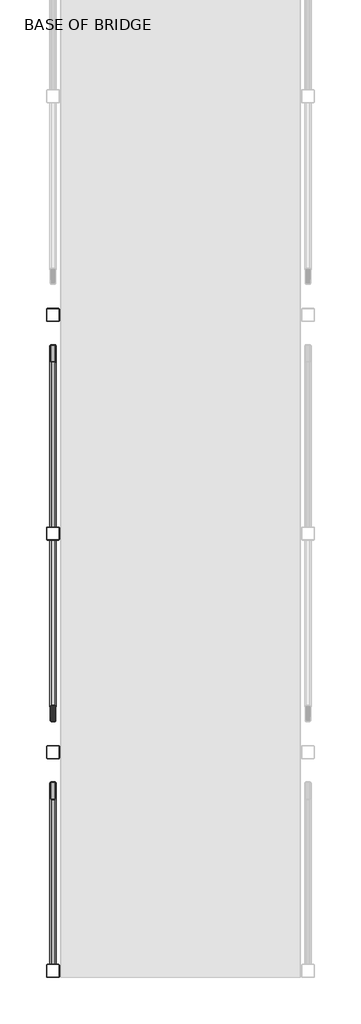
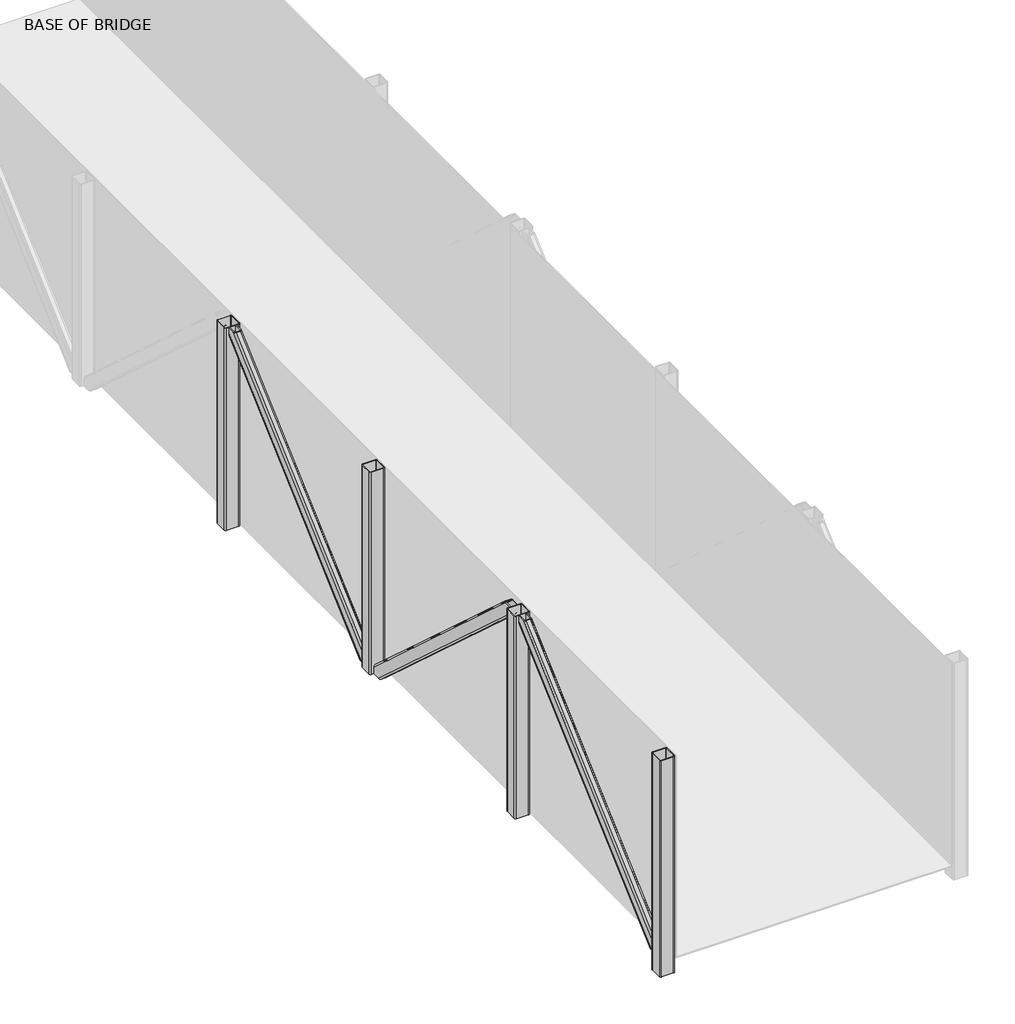
# One storey, part 1 of 8: 7 columns.
"""IFC4 building model written with IfcOpenShell, lengths in millimetres."""

import ifcopenshell
import ifcopenshell.guid

model = None  # the IFC model being written
_history = None  # IfcOwnerHistory: only IFC2X3 demands one
_inside = {}  # id of a spatial element -> (the spatial element, [elements in it])
_under = {}  # id of a project, library or spatial element -> (it, [spatial elements below it])
_declared = {}  # id of a project -> (the project, [libraries it declares])
_typed = {}  # id of a type object -> (the type object, [elements of that type])
_made_of = {}  # id of a material, layer set ... -> (it, [elements and type objects made of it])


def new_model(schema):
    """Start an empty IFC model of exactly this schema.

    Asked for "IFC4X3", IfcOpenShell would pick the latest addendum, in which some entities
    have other attributes; the version numbers below select the first issue.
    IFC2X3 requires an IfcOwnerHistory on every rooted entity: one is made here for all.
    """
    global model, _history
    if schema == "IFC4X3":
        model = ifcopenshell.file(schema_version=(4, 3, 0, 0))
    else:
        model = ifcopenshell.file(schema=schema)
    _inside.clear()
    _under.clear()
    _declared.clear()
    _typed.clear()
    _made_of.clear()
    _history = None
    if model.schema == "IFC2X3":
        org = make("IfcOrganization", Name="unknown")
        user = make(
            "IfcPersonAndOrganization",
            ThePerson=make("IfcPerson", FamilyName="unknown"),
            TheOrganization=org,
        )
        app = make(
            "IfcApplication",
            ApplicationDeveloper=org,
            Version="unknown",
            ApplicationFullName="unknown",
            ApplicationIdentifier="unknown",
        )
        _history = make(
            "IfcOwnerHistory",
            OwningUser=user,
            OwningApplication=app,
            ChangeAction="ADDED",
            CreationDate=0,
        )
    return model


def make(cls, **values):
    """One entity of the class cls with the attributes given. An attribute that is None is left unset."""
    return model.create_entity(
        cls, **{name: value for name, value in values.items() if value is not None}
    )


def rooted(cls, **values):
    """An entity with a GlobalId (a new one), such as an element, a storey or a relation."""
    return make(cls, GlobalId=ifcopenshell.guid.new(), OwnerHistory=_history, **values)


def si_unit(unit_type, name, prefix=None):
    """IfcSIUnit, for example si_unit("LENGTHUNIT", "METRE", prefix="MILLI")."""
    return make("IfcSIUnit", UnitType=unit_type, Prefix=prefix, Name=name)


def assignment(units):
    """IfcUnitAssignment: the units of a project."""
    return None if units is None else make("IfcUnitAssignment", Units=units)


def point(xyz):
    """IfcCartesianPoint."""
    return None if xyz is None else make("IfcCartesianPoint", Coordinates=xyz)


def direction(xyz):
    """IfcDirection."""
    return None if xyz is None else make("IfcDirection", DirectionRatios=xyz)


def frame(location, z_axis=None, x_axis=None):
    """IfcAxis2Placement3D, a coordinate frame: its origin and axes. An axis left out is left unset."""
    return make(
        "IfcAxis2Placement3D",
        Location=point(location),
        Axis=direction(z_axis),
        RefDirection=direction(x_axis),
    )


def frame_2d(location, x_axis=None):
    """IfcAxis2Placement2D, a coordinate frame in the plane: its origin and x axis."""
    return make(
        "IfcAxis2Placement2D", Location=point(location), RefDirection=direction(x_axis)
    )


def origin():
    """The frame at (0, 0, 0) with its axes left unset."""
    return frame((0.0, 0.0, 0.0))


def place(relative_to, where):
    """IfcLocalPlacement: puts the frame where relative to a parent placement (None: the world)."""
    return make(
        "IfcLocalPlacement", PlacementRelTo=relative_to, RelativePlacement=where
    )


def context(
    kind, dimensions, precision=None, world=None, true_north=None, identifier=None
):
    """IfcGeometricRepresentationContext, for example the 3D "Model" context."""
    return make(
        "IfcGeometricRepresentationContext",
        ContextIdentifier=identifier,
        ContextType=kind,
        CoordinateSpaceDimension=dimensions,
        Precision=precision,
        WorldCoordinateSystem=world,
        TrueNorth=true_north,
    )


def project(units=None, contexts=None):
    """IfcProject with its units and contexts."""
    return rooted(
        "IfcProject",
        Name="project",
        RepresentationContexts=contexts,
        UnitsInContext=assignment(units),
    )


def spatial(cls, under=None, at=None, **own):
    """A site, building, storey or space (cls), placed at a placement, below another one or the project."""
    s = rooted(cls, ObjectPlacement=at, **own)
    if under is not None:
        _under.setdefault(under.id(), (under, []))[1].append(s)
    return s


def polyline(points):
    """IfcPolyline through the points."""
    return make("IfcPolyline", Points=[point(p) for p in points])


def circle_curve(where, radius):
    """IfcCircle in the frame where."""
    return make("IfcCircle", Position=where, Radius=radius)


def ellipse_curve(where, semi_axis1, semi_axis2):
    """IfcEllipse in the frame where."""
    return make(
        "IfcEllipse", Position=where, SemiAxis1=semi_axis1, SemiAxis2=semi_axis2
    )


def trimmed(basis, trim1, trim2, sense, master):
    """IfcTrimmedCurve: the piece of a basis curve between two trims."""
    return make(
        "IfcTrimmedCurve",
        BasisCurve=basis,
        Trim1=trim1,
        Trim2=trim2,
        SenseAgreement=sense,
        MasterRepresentation=master,
    )


def segment(curve, same_sense, transition):
    """IfcCompositeCurveSegment."""
    return make(
        "IfcCompositeCurveSegment",
        Transition=transition,
        SameSense=same_sense,
        ParentCurve=curve,
    )


def composite_curve(segments, self_intersect=None):
    """IfcCompositeCurve: segments joined end to end."""
    return make("IfcCompositeCurve", Segments=segments, SelfIntersect=self_intersect)


def outline(outer, holes=None, kind="AREA"):
    """IfcArbitraryClosedProfileDef: a profile drawn as a closed curve; with holes, ...WithVoids."""
    if holes is None:
        return make("IfcArbitraryClosedProfileDef", ProfileType=kind, OuterCurve=outer)
    return make(
        "IfcArbitraryProfileDefWithVoids",
        ProfileType=kind,
        OuterCurve=outer,
        InnerCurves=holes,
    )


def extrude(swept, where, along, depth):
    """IfcExtrudedAreaSolid: the profile swept, set in the frame where, extruded along a direction by depth."""
    return make(
        "IfcExtrudedAreaSolid",
        SweptArea=swept,
        Position=where,
        ExtrudedDirection=direction(along),
        Depth=depth,
    )


def shape(context_of_items, identifier, shape_type, items):
    """IfcShapeRepresentation: the items that make up one representation, for example the "Body"."""
    return make(
        "IfcShapeRepresentation",
        ContextOfItems=context_of_items,
        RepresentationIdentifier=identifier,
        RepresentationType=shape_type,
        Items=items,
    )


def made_of(thing, what):
    """Note that an element or type object is made of a material, layer set ...; save() writes the relation."""
    if what is not None:
        _made_of.setdefault(what.id(), (what, []))[1].append(thing)
    return thing


def element(
    cls,
    number,
    at=None,
    inside=None,
    cuts=None,
    type_object=None,
    material=None,
    context=None,
    identifier="Body",
    shape_type=None,
    held_by="IfcProductDefinitionShape",
    body=None,
    shapes=None,
    **own,
):
    """One element of the class cls, such as IfcWall. Its Tag is "e" and its number.

    at: its placement. inside: the storey or other place that contains it. cuts: it is an
    opening in that element (IfcRelVoidsElement). A single representation is given by context,
    identifier, shape_type and body (its items); several are given by shapes. held_by: the class
    of the entity that holds the representations. save() writes the other relations.
    """
    e = rooted(cls, Tag="e%d" % number, ObjectPlacement=at, **own)
    if body is not None:
        shapes = [shape(context, identifier, shape_type, body)]
    if shapes is not None:
        e.Representation = make(held_by, Representations=shapes)
    if inside is not None:
        _inside.setdefault(inside.id(), (inside, []))[1].append(e)
    if cuts is not None:
        rooted(
            "IfcRelVoidsElement", RelatingBuildingElement=cuts, RelatedOpeningElement=e
        )
    if type_object is not None:
        _typed.setdefault(type_object.id(), (type_object, []))[1].append(e)
    return made_of(e, material)


def aggregate(whole, parts):
    """IfcRelAggregates: a whole, such as a stair, and the parts it consists of."""
    return rooted("IfcRelAggregates", RelatingObject=whole, RelatedObjects=parts)


def save(model, path):
    """Write the relations noted so far, then the file.

    IfcRelAggregates (storeys below a building ...), IfcRelContainedInSpatialStructure (elements
    in a storey), IfcRelDefinesByType, IfcRelAssociatesMaterial and IfcRelDeclares: one each for
    every whole, place, type object, material and project.
    """
    for whole, parts in _under.values():
        aggregate(whole, parts)
    for where, things in _inside.values():
        rooted(
            "IfcRelContainedInSpatialStructure",
            RelatedElements=things,
            RelatingStructure=where,
        )
    for kind, things in _typed.values():
        rooted("IfcRelDefinesByType", RelatedObjects=things, RelatingType=kind)
    for what, things in _made_of.values():
        rooted("IfcRelAssociatesMaterial", RelatedObjects=things, RelatingMaterial=what)
    for by, libraries in _declared.values():
        rooted("IfcRelDeclares", RelatingContext=by, RelatedDefinitions=libraries)
    model.write(path)


def plane_surface(at):
    """IfcPlane: the flat surface through the origin of the frame at, square to its z axis."""
    return make("IfcPlane", Position=at)


def cylinder_surface(at, radius):
    """IfcCylindricalSurface: all points at the distance radius from the z axis of the frame at."""
    return make("IfcCylindricalSurface", Position=at, Radius=radius)


def revolved_surface(curve, axis_point, axis_direction):
    """IfcSurfaceOfRevolution: the curve turned about the line through axis_point along axis_direction."""
    return make(
        "IfcSurfaceOfRevolution",
        SweptCurve=make("IfcArbitraryOpenProfileDef", ProfileType="CURVE", Curve=curve),
        AxisPosition=make("IfcAxis1Placement", Location=point(axis_point), Axis=direction(axis_direction)),
    )


def advanced_brep(points, edges, surfaces, faces):
    """IfcAdvancedBrep: a solid bounded by faces that lie on surfaces and meet in shared edges.

    An edge is (start, end): straight between two places in points (the first is 0);
    or (start, end, curve); or (start, end, curve, False) where it runs against its curve.
    A face is (place in surfaces, loops), or (place, loops, False) where it looks against
    its surface's normal. A loop lists edges by number (the first is 1), with a minus sign
    where the edge is run from its end to its start. The first loop is the outer one.
    """
    corners = [point(p) for p in points]
    vertices = [make("IfcVertexPoint", VertexGeometry=c) for c in corners]
    made = []
    for start, end, *more in edges:
        made.append(
            make(
                "IfcEdgeCurve",
                EdgeStart=vertices[start],
                EdgeEnd=vertices[end],
                EdgeGeometry=more[0] if more else make("IfcPolyline", Points=[corners[start], corners[end]]),
                SameSense=more[1] if len(more) > 1 else True,
            )
        )
    hull = []
    for where, loops, *sense in faces:
        bounds = []
        for j, loop in enumerate(loops):
            ring = [make("IfcOrientedEdge", EdgeElement=made[abs(k) - 1], Orientation=k > 0) for k in loop]
            bounds.append(
                make(
                    "IfcFaceOuterBound" if j == 0 else "IfcFaceBound",
                    Bound=make("IfcEdgeLoop", EdgeList=ring),
                    Orientation=True,
                )
            )
        hull.append(make("IfcAdvancedFace", Bounds=bounds, FaceSurface=surfaces[where], SameSense=sense[0] if sense else True))
    return make("IfcAdvancedBrep", Outer=make("IfcClosedShell", CfsFaces=hull))


model = new_model("IFC4")

# Units and contexts
model_context = context("Model", 3, world=origin())
ifc_project = project(units=[si_unit("LENGTHUNIT", "METRE", prefix="MILLI")], contexts=[model_context])

# Site, building, storey
site = spatial("IfcSite", under=ifc_project)
building = spatial("IfcBuilding", under=site)
storey = spatial("IfcBuildingStorey", under=building, Name="BASE OF BRIDGE", Elevation=15383.0)

# Columns
placement = place(None, origin())
element("IfcColumn", 1, ObjectType="Rectangular Hollow Sections-Column : RHS100x100x5.0", at=placement, inside=storey, context=model_context, shape_type="SweptSolid", body=[
    extrude(outline(composite_curve([segment(trimmed(circle_curve(frame_2d((-935.0, 712.4479556)), 10.0), [point((-935.0, 722.4479556))], [point((-925.0, 712.4479556))], False, "CARTESIAN"), True, "CONTINUOUS"), segment(polyline([(-925.0, 712.4479556), (-925.0, 632.4479556)]), True, "CONTINUOUS"), segment(trimmed(circle_curve(frame_2d((-935.0, 632.4479556)), 10.0), [point((-925.0, 632.4479556))], [point((-935.0, 622.4479556))], False, "CARTESIAN"), True, "CONTINUOUS"), segment(polyline([(-935.0, 622.4479556), (-1015.0, 622.4479556)]), True, "CONTINUOUS"), segment(trimmed(circle_curve(frame_2d((-1015.0, 632.4479556)), 10.0), [point((-1015.0, 622.4479556))], [point((-1025.0, 632.4479556))], False, "CARTESIAN"), True, "CONTINUOUS"), segment(polyline([(-1025.0, 632.4479556), (-1025.0, 712.4479556)]), True, "CONTINUOUS"), segment(trimmed(circle_curve(frame_2d((-1015.0, 712.4479556)), 10.0), [point((-1025.0, 712.4479556))], [point((-1015.0, 722.4479556))], False, "CARTESIAN"), True, "CONTINUOUS"), segment(polyline([(-1015.0, 722.4479556), (-935.0, 722.4479556)]), True, "CONTINUOUS")], self_intersect=False), holes=[composite_curve([segment(polyline([(-935.0, 717.4479556), (-1015.0, 717.4479556)]), True, "CONTINUOUS"), segment(trimmed(circle_curve(frame_2d((-1015.0, 712.4479556)), 5.0), [point((-1015.0, 717.4479556))], [point((-1020.0, 712.4479556))], True, "CARTESIAN"), True, "CONTINUOUS"), segment(polyline([(-1020.0, 712.4479556), (-1020.0, 632.4479556)]), True, "CONTINUOUS"), segment(trimmed(circle_curve(frame_2d((-1015.0, 632.4479556)), 5.0), [point((-1020.0, 632.4479556))], [point((-1015.0, 627.4479556))], True, "CARTESIAN"), True, "CONTINUOUS"), segment(polyline([(-1015.0, 627.4479556), (-935.0, 627.4479556)]), True, "CONTINUOUS"), segment(trimmed(circle_curve(frame_2d((-935.0, 632.4479556)), 5.0), [point((-935.0, 627.4479556))], [point((-930.0, 632.4479556))], True, "CARTESIAN"), True, "CONTINUOUS"), segment(polyline([(-930.0, 632.4479556), (-930.0, 712.4479556)]), True, "CONTINUOUS"), segment(trimmed(circle_curve(frame_2d((-935.0, 712.4479556)), 5.0), [point((-930.0, 712.4479556))], [point((-935.0, 717.4479556))], True, "CARTESIAN"), True, "CONTINUOUS")], self_intersect=False)]), frame((0.0, 0.0, 15283.0), z_axis=(0.0, 0.0, 1.0), x_axis=(1.0, 0.0, 0.0)), (0.0, 0.0, 1.0), 1521.0),
])
element("IfcColumn", 2, ObjectType="Rectangular Hollow Sections-Column : RHS100x100x5.0", at=placement, inside=storey, context=model_context, shape_type="SweptSolid", body=[
    extrude(outline(composite_curve([segment(trimmed(circle_curve(frame_2d((-935.0, 2382.4479556)), 10.0), [point((-935.0, 2392.4479556))], [point((-925.0, 2382.4479556))], False, "CARTESIAN"), True, "CONTINUOUS"), segment(polyline([(-925.0, 2382.4479556), (-925.0, 2302.4479556)]), True, "CONTINUOUS"), segment(trimmed(circle_curve(frame_2d((-935.0, 2302.4479556)), 10.0), [point((-925.0, 2302.4479556))], [point((-935.0, 2292.4479556))], False, "CARTESIAN"), True, "CONTINUOUS"), segment(polyline([(-935.0, 2292.4479556), (-1015.0, 2292.4479556)]), True, "CONTINUOUS"), segment(trimmed(circle_curve(frame_2d((-1015.0, 2302.4479556)), 10.0), [point((-1015.0, 2292.4479556))], [point((-1025.0, 2302.4479556))], False, "CARTESIAN"), True, "CONTINUOUS"), segment(polyline([(-1025.0, 2302.4479556), (-1025.0, 2382.4479556)]), True, "CONTINUOUS"), segment(trimmed(circle_curve(frame_2d((-1015.0, 2382.4479556)), 10.0), [point((-1025.0, 2382.4479556))], [point((-1015.0, 2392.4479556))], False, "CARTESIAN"), True, "CONTINUOUS"), segment(polyline([(-1015.0, 2392.4479556), (-935.0, 2392.4479556)]), True, "CONTINUOUS")], self_intersect=False), holes=[composite_curve([segment(polyline([(-935.0, 2387.4479556), (-1015.0, 2387.4479556)]), True, "CONTINUOUS"), segment(trimmed(circle_curve(frame_2d((-1015.0, 2382.4479556)), 5.0), [point((-1015.0, 2387.4479556))], [point((-1020.0, 2382.4479556))], True, "CARTESIAN"), True, "CONTINUOUS"), segment(polyline([(-1020.0, 2382.4479556), (-1020.0, 2302.4479556)]), True, "CONTINUOUS"), segment(trimmed(circle_curve(frame_2d((-1015.0, 2302.4479556)), 5.0), [point((-1020.0, 2302.4479556))], [point((-1015.0, 2297.4479556))], True, "CARTESIAN"), True, "CONTINUOUS"), segment(polyline([(-1015.0, 2297.4479556), (-935.0, 2297.4479556)]), True, "CONTINUOUS"), segment(trimmed(circle_curve(frame_2d((-935.0, 2302.4479556)), 5.0), [point((-935.0, 2297.4479556))], [point((-930.0, 2302.4479556))], True, "CARTESIAN"), True, "CONTINUOUS"), segment(polyline([(-930.0, 2302.4479556), (-930.0, 2382.4479556)]), True, "CONTINUOUS"), segment(trimmed(circle_curve(frame_2d((-935.0, 2382.4479556)), 5.0), [point((-930.0, 2382.4479556))], [point((-935.0, 2387.4479556))], True, "CARTESIAN"), True, "CONTINUOUS")], self_intersect=False)]), frame((0.0, 0.0, 15383.0), z_axis=(0.0, 0.0, 1.0), x_axis=(1.0, 0.0, 0.0)), (0.0, 0.0, 1.0), 1421.0),
])
element("IfcColumn", 3, ObjectType="Rectangular Hollow Sections-Column : RHS100x100x5.0", at=placement, inside=storey, context=model_context, shape_type="SweptSolid", body=[
    extrude(outline(composite_curve([segment(trimmed(circle_curve(frame_2d((-935.0, 4052.4479556)), 10.0), [point((-935.0, 4062.4479556))], [point((-925.0, 4052.4479556))], False, "CARTESIAN"), True, "CONTINUOUS"), segment(polyline([(-925.0, 4052.4479556), (-925.0, 3972.4479556)]), True, "CONTINUOUS"), segment(trimmed(circle_curve(frame_2d((-935.0, 3972.4479556)), 10.0), [point((-925.0, 3972.4479556))], [point((-935.0, 3962.4479556))], False, "CARTESIAN"), True, "CONTINUOUS"), segment(polyline([(-935.0, 3962.4479556), (-1015.0, 3962.4479556)]), True, "CONTINUOUS"), segment(trimmed(circle_curve(frame_2d((-1015.0, 3972.4479556)), 10.0), [point((-1015.0, 3962.4479556))], [point((-1025.0, 3972.4479556))], False, "CARTESIAN"), True, "CONTINUOUS"), segment(polyline([(-1025.0, 3972.4479556), (-1025.0, 4052.4479556)]), True, "CONTINUOUS"), segment(trimmed(circle_curve(frame_2d((-1015.0, 4052.4479556)), 10.0), [point((-1025.0, 4052.4479556))], [point((-1015.0, 4062.4479556))], False, "CARTESIAN"), True, "CONTINUOUS"), segment(polyline([(-1015.0, 4062.4479556), (-935.0, 4062.4479556)]), True, "CONTINUOUS")], self_intersect=False), holes=[composite_curve([segment(polyline([(-935.0, 4057.4479556), (-1015.0, 4057.4479556)]), True, "CONTINUOUS"), segment(trimmed(circle_curve(frame_2d((-1015.0, 4052.4479556)), 5.0), [point((-1015.0, 4057.4479556))], [point((-1020.0, 4052.4479556))], True, "CARTESIAN"), True, "CONTINUOUS"), segment(polyline([(-1020.0, 4052.4479556), (-1020.0, 3972.4479556)]), True, "CONTINUOUS"), segment(trimmed(circle_curve(frame_2d((-1015.0, 3972.4479556)), 5.0), [point((-1020.0, 3972.4479556))], [point((-1015.0, 3967.4479556))], True, "CARTESIAN"), True, "CONTINUOUS"), segment(polyline([(-1015.0, 3967.4479556), (-935.0, 3967.4479556)]), True, "CONTINUOUS"), segment(trimmed(circle_curve(frame_2d((-935.0, 3972.4479556)), 5.0), [point((-935.0, 3967.4479556))], [point((-930.0, 3972.4479556))], True, "CARTESIAN"), True, "CONTINUOUS"), segment(polyline([(-930.0, 3972.4479556), (-930.0, 4052.4479556)]), True, "CONTINUOUS"), segment(trimmed(circle_curve(frame_2d((-935.0, 4052.4479556)), 5.0), [point((-930.0, 4052.4479556))], [point((-935.0, 4057.4479556))], True, "CARTESIAN"), True, "CONTINUOUS")], self_intersect=False)]), frame((0.0, 0.0, 15383.0), z_axis=(0.0, 0.0, 1.0), x_axis=(1.0, 0.0, 0.0)), (0.0, 0.0, 1.0), 1421.0),
])
element("IfcColumn", 4, ObjectType="Rectangular Hollow Sections-Column : RHS100x100x5.0", at=placement, inside=storey, context=model_context, shape_type="SweptSolid", body=[
    extrude(outline(composite_curve([segment(trimmed(circle_curve(frame_2d((-935.0, 5722.4479556)), 10.0), [point((-935.0, 5732.4479556))], [point((-925.0, 5722.4479556))], False, "CARTESIAN"), True, "CONTINUOUS"), segment(polyline([(-925.0, 5722.4479556), (-925.0, 5642.4479556)]), True, "CONTINUOUS"), segment(trimmed(circle_curve(frame_2d((-935.0, 5642.4479556)), 10.0), [point((-925.0, 5642.4479556))], [point((-935.0, 5632.4479556))], False, "CARTESIAN"), True, "CONTINUOUS"), segment(polyline([(-935.0, 5632.4479556), (-1015.0, 5632.4479556)]), True, "CONTINUOUS"), segment(trimmed(circle_curve(frame_2d((-1015.0, 5642.4479556)), 10.0), [point((-1015.0, 5632.4479556))], [point((-1025.0, 5642.4479556))], False, "CARTESIAN"), True, "CONTINUOUS"), segment(polyline([(-1025.0, 5642.4479556), (-1025.0, 5722.4479556)]), True, "CONTINUOUS"), segment(trimmed(circle_curve(frame_2d((-1015.0, 5722.4479556)), 10.0), [point((-1025.0, 5722.4479556))], [point((-1015.0, 5732.4479556))], False, "CARTESIAN"), True, "CONTINUOUS"), segment(polyline([(-1015.0, 5732.4479556), (-935.0, 5732.4479556)]), True, "CONTINUOUS")], self_intersect=False), holes=[composite_curve([segment(polyline([(-935.0, 5727.4479556), (-1015.0, 5727.4479556)]), True, "CONTINUOUS"), segment(trimmed(circle_curve(frame_2d((-1015.0, 5722.4479556)), 5.0), [point((-1015.0, 5727.4479556))], [point((-1020.0, 5722.4479556))], True, "CARTESIAN"), True, "CONTINUOUS"), segment(polyline([(-1020.0, 5722.4479556), (-1020.0, 5642.4479556)]), True, "CONTINUOUS"), segment(trimmed(circle_curve(frame_2d((-1015.0, 5642.4479556)), 5.0), [point((-1020.0, 5642.4479556))], [point((-1015.0, 5637.4479556))], True, "CARTESIAN"), True, "CONTINUOUS"), segment(polyline([(-1015.0, 5637.4479556), (-935.0, 5637.4479556)]), True, "CONTINUOUS"), segment(trimmed(circle_curve(frame_2d((-935.0, 5642.4479556)), 5.0), [point((-935.0, 5637.4479556))], [point((-930.0, 5642.4479556))], True, "CARTESIAN"), True, "CONTINUOUS"), segment(polyline([(-930.0, 5642.4479556), (-930.0, 5722.4479556)]), True, "CONTINUOUS"), segment(trimmed(circle_curve(frame_2d((-935.0, 5722.4479556)), 5.0), [point((-930.0, 5722.4479556))], [point((-935.0, 5727.4479556))], True, "CARTESIAN"), True, "CONTINUOUS")], self_intersect=False)]), frame((0.0, 0.0, 15383.0), z_axis=(0.0, 0.0, 1.0), x_axis=(1.0, 0.0, 0.0)), (0.0, 0.0, 1.0), 1421.0),
])
element("IfcColumn", 5, ObjectType="Rectangular Hollow Sections-Column : RHS90x50x5.0", at=placement, inside=storey, context=model_context, shape_type="AdvancedBrep", body=[
    advanced_brep(
    [(-950.0, 3910.2908364, 15383.0), (-960.0, 3895.3888023, 15383.0), (-990.0, 3895.3888023, 15383.0), (-1000.0, 3910.2908364, 15383.0), (-1000.0, 3962.4479556, 15383.0), (-995.0, 3962.4479556, 15383.0), (-995.0, 3910.2908364, 15383.0), (-990.0, 3902.8398193, 15383.0), (-960.0, 3902.8398193, 15383.0), (-955.0, 3910.2908364, 15383.0), (-955.0, 3962.4479556, 15383.0), (-950.0, 3962.4479556, 15383.0), (-950.0, 2444.6050749, 16804.0), (-960.0, 2459.507109, 16804.0), (-990.0, 2459.507109, 16804.0), (-1000.0, 2444.6050749, 16804.0), (-1000.0, 2392.4479556, 16804.0), (-995.0, 2392.4479556, 16804.0), (-995.0, 2444.6050749, 16804.0), (-990.0, 2452.0560919, 16804.0), (-960.0, 2452.0560919, 16804.0), (-955.0, 2444.6050749, 16804.0), (-955.0, 2392.4479556, 16804.0), (-950.0, 2392.4479556, 16804.0), (-950.0, 3962.4479556, 15430.2071761), (-960.0, 3962.4479556, 15443.6949407), (-950.0, 2392.4479556, 16756.7928239), (-960.0, 2392.4479556, 16743.3050593), (-990.0, 2392.4479556, 16743.3050593), (-1000.0, 2392.4479556, 16756.7928239), (-1000.0, 3962.4479556, 15430.2071761), (-990.0, 3962.4479556, 15443.6949407), (-990.0, 3962.4479556, 15436.9510584), (-960.0, 3962.4479556, 15436.9510584), (-995.0, 3962.4479556, 15430.2071761), (-995.0, 2392.4479556, 16756.7928239), (-990.0, 2392.4479556, 16750.0489416), (-960.0, 2392.4479556, 16750.0489416), (-955.0, 2392.4479556, 16756.7928239), (-955.0, 3962.4479556, 15430.2071761)],
    [
        (0, 1, ellipse_curve(frame((-960.0, 3910.2908364, 15383.0), z_axis=(0.0, 0.0, -1.0), x_axis=(-3.770205379316552e-12, -1.0, 0.0)), 14.9020341, 10.0)),
        (1, 2),
        (2, 3, ellipse_curve(frame((-990.0, 3910.2908364, 15383.0), z_axis=(0.0, 0.0, -1.0), x_axis=(-3.770205379316552e-12, -1.0, 0.0)), 14.9020341, 10.0)),
        (3, 4),
        (4, 5),
        (5, 6),
        (6, 7, ellipse_curve(frame((-990.0, 3910.2908364, 15383.0), z_axis=(0.0, 0.0, 1.0), x_axis=(3.770205379316552e-12, 1.0, 0.0)), 7.451017, 5.0)),
        (7, 8),
        (8, 9, ellipse_curve(frame((-960.0, 3910.2908364, 15383.0), z_axis=(0.0, 0.0, 1.0), x_axis=(3.770205379316552e-12, 1.0, 0.0)), 7.451017, 5.0)),
        (9, 10),
        (10, 11),
        (11, 0),
        (12, 13, ellipse_curve(frame((-960.0, 2444.6050749, 16804.0), z_axis=(0.0, 0.0, 1.0), x_axis=(-3.770205379316552e-12, -1.0, 0.0)), 14.9020341, 10.0)),
        (13, 14),
        (14, 15, ellipse_curve(frame((-990.0, 2444.6050749, 16804.0), z_axis=(0.0, 0.0, 1.0), x_axis=(-3.770205379316552e-12, -1.0, 0.0)), 14.9020341, 10.0)),
        (15, 16),
        (16, 17),
        (17, 18),
        (18, 19, ellipse_curve(frame((-990.0, 2444.6050749, 16804.0), z_axis=(0.0, 0.0, -1.0), x_axis=(3.770205379316552e-12, 1.0, 0.0)), 7.451017, 5.0)),
        (19, 20),
        (20, 21, ellipse_curve(frame((-960.0, 2444.6050749, 16804.0), z_axis=(0.0, 0.0, -1.0), x_axis=(3.770205379316552e-12, 1.0, 0.0)), 7.451017, 5.0)),
        (21, 22),
        (22, 23),
        (23, 12),
        (12, 24),
        (24, 25, ellipse_curve(frame((-960.0, 3962.4479556, 15430.2071761), z_axis=(0.0, -1.0, 0.0), x_axis=(-4.165533036964825e-12, 0.0, 1.0)), 13.4877646, 10.0)),
        (25, 13),
        (11, 24),
        (23, 26),
        (26, 0),
        (26, 27, ellipse_curve(frame((-960.0, 2392.4479556, 16756.7928239), z_axis=(0.0, 1.0, 0.0), x_axis=(-4.161794249594578e-12, 0.0, 1.0)), 13.4877646, 10.0)),
        (27, 1),
        (27, 28),
        (28, 2),
        (28, 29, ellipse_curve(frame((-990.0, 2392.4479556, 16756.7928239), z_axis=(0.0, 1.0, 0.0), x_axis=(-4.161794249594578e-12, 0.0, 1.0)), 13.4877646, 10.0)),
        (29, 3),
        (29, 16),
        (15, 30),
        (30, 4),
        (14, 31),
        (31, 30, ellipse_curve(frame((-990.0, 3962.4479556, 15430.2071761), z_axis=(0.0, -1.0, 0.0), x_axis=(-4.165533036964825e-12, 0.0, 1.0)), 13.4877646, 10.0)),
        (25, 31),
        (19, 32),
        (32, 33),
        (33, 20),
        (18, 34),
        (34, 32, ellipse_curve(frame((-990.0, 3962.4479556, 15430.2071761), z_axis=(0.0, 1.0, 0.0), x_axis=(4.165533036964825e-12, 0.0, -1.0)), 6.7438823, 5.0)),
        (5, 34),
        (17, 35),
        (35, 6),
        (35, 36, ellipse_curve(frame((-990.0, 2392.4479556, 16756.7928239), z_axis=(0.0, -1.0, 0.0), x_axis=(4.161794249594578e-12, 0.0, -1.0)), 6.7438823, 5.0)),
        (36, 7),
        (36, 37),
        (37, 8),
        (37, 38, ellipse_curve(frame((-960.0, 2392.4479556, 16756.7928239), z_axis=(0.0, -1.0, 0.0), x_axis=(4.161794249594578e-12, 0.0, -1.0)), 6.7438823, 5.0)),
        (38, 9),
        (38, 22),
        (21, 39),
        (39, 10),
        (33, 39, ellipse_curve(frame((-960.0, 3962.4479556, 15430.2071761), z_axis=(0.0, 1.0, 0.0), x_axis=(4.165533036964825e-12, 0.0, -1.0)), 6.7438823, 5.0)),
    ],
    [
        plane_surface(frame((-975.0, 3962.4479556, 15383.0), z_axis=(0.0, 0.0, -1.0), x_axis=(1.0, 0.0, 0.0))),
        plane_surface(frame((-975.0, 2392.4479556, 16804.0), z_axis=(0.0, 0.0, 1.0), x_axis=(-1.0, 0.0, 0.0))),
        cylinder_surface(frame((-960.0, 4099.6865423, 15305.9931432), z_axis=(-2.7952781584738716e-12, -0.7414127022917221, 0.6710493311825043), x_axis=(1.0, -3.770324502598519e-12, 0.0)), 10.0),
        plane_surface(frame((-950.0, 2255.2093689, 16881.0068568), z_axis=(1.0000000000000002, -3.7703245025985194e-12, 0.0), x_axis=(2.7952781584738716e-12, 0.7414127022917221, -0.6710493311825043))),
        cylinder_surface(frame((-960.0, 4052.7130892, 15254.094254), z_axis=(-2.7952781584738716e-12, -0.7414127022917221, 0.6710493311825043), x_axis=(1.0, -3.770324502598519e-12, 0.0)), 10.0),
        plane_surface(frame((-990.0, 2248.4988756, 16873.5927298), z_axis=(-2.5301713161317646e-12, -0.6710493311825043, -0.7414127022917221), x_axis=(2.7952781584738716e-12, 0.7414127022917221, -0.6710493311825043))),
        cylinder_surface(frame((-990.0, 4052.7130892, 15254.094254), z_axis=(-2.7952781584738716e-12, -0.7414127022917221, 0.6710493311825043), x_axis=(1.0, -3.770324502598519e-12, 0.0)), 10.0),
        plane_surface(frame((-1000.0, 2302.1828221, 16932.905746), z_axis=(-1.0000000000000002, 3.7703245025985194e-12, 0.0), x_axis=(2.7952781584738716e-12, 0.7414127022917221, -0.6710493311825043))),
        cylinder_surface(frame((-990.0, 4099.6865423, 15305.9931432), z_axis=(-2.7952781584738716e-12, -0.7414127022917221, 0.6710493311825043), x_axis=(1.0, -3.770324502598519e-12, 0.0)), 10.0),
        plane_surface(frame((-960.0, 2308.8933154, 16940.319873), z_axis=(2.5301713161317646e-12, 0.6710493311825043, 0.7414127022917221), x_axis=(2.7952781584738716e-12, 0.7414127022917221, -0.6710493311825043))),
        plane_surface(frame((-990.0, 2305.5380688, 16936.6128095), z_axis=(-2.5301713161317646e-12, -0.6710493311825043, -0.7414127022917221), x_axis=(2.7952781584738716e-12, 0.7414127022917221, -0.6710493311825043))),
        revolved_surface(polyline([(-985.0000000005048, 3965.8032022709954, 15427.170357328145), (-985.0000000062554, 2440.509304538574, 16807.707063492322)]), (-990.0, 4099.6865423, 15305.9931432), (2.7952781584738716e-12, 0.7414127022917221, -0.6710493311825043)),
        plane_surface(frame((-995.0, 2255.2093689, 16881.0068568), z_axis=(1.0000000000000002, -3.7703245025985194e-12, 0.0), x_axis=(2.7952781584738716e-12, 0.7414127022917221, -0.6710493311825043))),
        revolved_surface(polyline([(-985.0000000005215, 3914.3866067639824, 15379.292936510543), (-985.0000000062722, 2389.092708976592, 16759.829642724475)]), (-990.0, 4052.7130892, 15254.094254), (2.7952781584738716e-12, 0.7414127022917221, -0.6710493311825043)),
        plane_surface(frame((-960.0, 2251.8541223, 16877.2997933), z_axis=(2.5301713161317646e-12, 0.6710493311825043, 0.7414127022917221), x_axis=(2.7952781584738716e-12, 0.7414127022917221, -0.6710493311825043))),
        revolved_surface(polyline([(-955.0000000005215, 3914.3866067639824, 15379.292936510543), (-955.0000000062722, 2389.092708976592, 16759.829642724475)]), (-960.0, 4052.7130892, 15254.094254), (2.7952781584738716e-12, 0.7414127022917221, -0.6710493311825043)),
        plane_surface(frame((-955.0, 2302.1828221, 16932.905746), z_axis=(-1.0000000000000002, 3.7703245025985194e-12, 0.0), x_axis=(2.7952781584738716e-12, 0.7414127022917221, -0.6710493311825043))),
        revolved_surface(polyline([(-955.0000000005048, 3965.8032022709954, 15427.170357328145), (-955.0000000062554, 2440.509304538574, 16807.707063492322)]), (-960.0, 4099.6865423, 15305.9931432), (2.7952781584738716e-12, 0.7414127022917221, -0.6710493311825043)),
        plane_surface(frame((-935.0, 3962.4479556, 15383.0), z_axis=(0.0, 1.0, 0.0), x_axis=(0.0, 0.0, 1.0))),
        plane_surface(frame((-1015.0, 2392.4479556, 15383.0), z_axis=(0.0, -1.0, 0.0), x_axis=(0.0, 0.0, 1.0))),
    ],
    [
        (0, [[1, 2, 3, 4, 5, 6, 7, 8, 9, 10, 11, 12]]),
        (1, [[13, 14, 15, 16, 17, 18, 19, 20, 21, 22, 23, 24]]),
        (2, [[-13, 25, 26, 27]]),
        (3, [[-12, 28, -25, -24, 29, 30]]),
        (4, [[-1, -30, 31, 32]]),
        (5, [[-2, -32, 33, 34]]),
        (6, [[-3, -34, 35, 36]]),
        (7, [[-4, -36, 37, -16, 38, 39]]),
        (8, [[-15, 40, 41, -38]]),
        (9, [[-14, -27, 42, -40]]),
        (10, [[-20, 43, 44, 45]]),
        (11, [[-19, 46, 47, -43]]),
        (12, [[-6, 48, -46, -18, 49, 50]]),
        (13, [[-7, -50, 51, 52]]),
        (14, [[-8, -52, 53, 54]]),
        (15, [[-9, -54, 55, 56]]),
        (16, [[-10, -56, 57, -22, 58, 59]]),
        (17, [[-21, -45, 60, -58]]),
        (18, [[-11, -59, -60, -44, -47, -48, -5, -39, -41, -42, -26, -28]]),
        (19, [[-17, -37, -35, -33, -31, -29, -23, -57, -55, -53, -51, -49]]),
    ],
),
])
element("IfcColumn", 6, ObjectType="Rectangular Hollow Sections-Column : RHS90x50x5.0", at=placement, inside=storey, context=model_context, shape_type="AdvancedBrep", body=[
    advanced_brep(
    [(-1000.0, 4114.6050749, 15383.0), (-990.0, 4129.507109, 15383.0), (-960.0, 4129.507109, 15383.0), (-950.0, 4114.6050749, 15383.0), (-950.0, 4062.4479556, 15383.0), (-955.0, 4062.4479556, 15383.0), (-955.0, 4114.6050749, 15383.0), (-960.0, 4122.0560919, 15383.0), (-990.0, 4122.0560919, 15383.0), (-995.0, 4114.6050749, 15383.0), (-995.0, 4062.4479556, 15383.0), (-1000.0, 4062.4479556, 15383.0), (-1000.0, 5580.2908364, 16804.0), (-990.0, 5565.3888023, 16804.0), (-960.0, 5565.3888023, 16804.0), (-950.0, 5580.2908364, 16804.0), (-950.0, 5632.4479556, 16804.0), (-955.0, 5632.4479556, 16804.0), (-955.0, 5580.2908364, 16804.0), (-960.0, 5572.8398193, 16804.0), (-990.0, 5572.8398193, 16804.0), (-995.0, 5580.2908364, 16804.0), (-995.0, 5632.4479556, 16804.0), (-1000.0, 5632.4479556, 16804.0), (-1000.0, 4062.4479556, 15430.2071761), (-990.0, 4062.4479556, 15443.6949407), (-1000.0, 5632.4479556, 16756.7928239), (-990.0, 5632.4479556, 16743.3050593), (-960.0, 5632.4479556, 16743.3050593), (-950.0, 5632.4479556, 16756.7928239), (-950.0, 4062.4479556, 15430.2071761), (-960.0, 4062.4479556, 15443.6949407), (-960.0, 4062.4479556, 15436.9510584), (-990.0, 4062.4479556, 15436.9510584), (-955.0, 4062.4479556, 15430.2071761), (-955.0, 5632.4479556, 16756.7928239), (-960.0, 5632.4479556, 16750.0489416), (-990.0, 5632.4479556, 16750.0489416), (-995.0, 5632.4479556, 16756.7928239), (-995.0, 4062.4479556, 15430.2071761)],
    [
        (0, 1, ellipse_curve(frame((-990.0, 4114.6050749, 15383.0), z_axis=(0.0, 0.0, -1.0), x_axis=(-3.767015404492982e-12, 1.0, 0.0)), 14.9020341, 10.0)),
        (1, 2),
        (2, 3, ellipse_curve(frame((-960.0, 4114.6050749, 15383.0), z_axis=(0.0, 0.0, -1.0), x_axis=(-3.767015404492982e-12, 1.0, 0.0)), 14.9020341, 10.0)),
        (3, 4),
        (4, 5),
        (5, 6),
        (6, 7, ellipse_curve(frame((-960.0, 4114.6050749, 15383.0), z_axis=(0.0, 0.0, 1.0), x_axis=(3.767015404492982e-12, -1.0, 0.0)), 7.451017, 5.0)),
        (7, 8),
        (8, 9, ellipse_curve(frame((-990.0, 4114.6050749, 15383.0), z_axis=(0.0, 0.0, 1.0), x_axis=(3.767015404492982e-12, -1.0, 0.0)), 7.451017, 5.0)),
        (9, 10),
        (10, 11),
        (11, 0),
        (12, 13, ellipse_curve(frame((-990.0, 5580.2908364, 16804.0), z_axis=(0.0, 0.0, 1.0), x_axis=(-3.767015404492982e-12, 1.0, 0.0)), 14.9020341, 10.0)),
        (13, 14),
        (14, 15, ellipse_curve(frame((-960.0, 5580.2908364, 16804.0), z_axis=(0.0, 0.0, 1.0), x_axis=(-3.767015404492982e-12, 1.0, 0.0)), 14.9020341, 10.0)),
        (15, 16),
        (16, 17),
        (17, 18),
        (18, 19, ellipse_curve(frame((-960.0, 5580.2908364, 16804.0), z_axis=(0.0, 0.0, -1.0), x_axis=(3.767015404492982e-12, -1.0, 0.0)), 7.451017, 5.0)),
        (19, 20),
        (20, 21, ellipse_curve(frame((-990.0, 5580.2908364, 16804.0), z_axis=(0.0, 0.0, -1.0), x_axis=(3.767015404492982e-12, -1.0, 0.0)), 7.451017, 5.0)),
        (21, 22),
        (22, 23),
        (23, 12),
        (12, 24),
        (24, 25, ellipse_curve(frame((-990.0, 4062.4479556, 15430.2071761), z_axis=(0.0, 1.0, 0.0), x_axis=(-4.16200857498523e-12, 0.0, 1.0)), 13.4877646, 10.0)),
        (25, 13),
        (23, 26),
        (26, 0),
        (11, 24),
        (26, 27, ellipse_curve(frame((-990.0, 5632.4479556, 16756.7928239), z_axis=(0.0, -1.0, 0.0), x_axis=(-4.176963724466217e-12, 0.0, 1.0)), 13.4877646, 10.0)),
        (27, 1),
        (27, 28),
        (28, 2),
        (28, 29, ellipse_curve(frame((-960.0, 5632.4479556, 16756.7928239), z_axis=(0.0, -1.0, 0.0), x_axis=(-4.176963724466217e-12, 0.0, 1.0)), 13.4877646, 10.0)),
        (29, 3),
        (15, 30),
        (30, 4),
        (29, 16),
        (14, 31),
        (31, 30, ellipse_curve(frame((-960.0, 4062.4479556, 15430.2071761), z_axis=(0.0, 1.0, 0.0), x_axis=(-4.16200857498523e-12, 0.0, 1.0)), 13.4877646, 10.0)),
        (25, 31),
        (19, 32),
        (32, 33),
        (33, 20),
        (18, 34),
        (34, 32, ellipse_curve(frame((-960.0, 4062.4479556, 15430.2071761), z_axis=(0.0, -1.0, 0.0), x_axis=(4.16200857498523e-12, 0.0, -1.0)), 6.7438823, 5.0)),
        (17, 35),
        (35, 6),
        (5, 34),
        (35, 36, ellipse_curve(frame((-960.0, 5632.4479556, 16756.7928239), z_axis=(0.0, 1.0, 0.0), x_axis=(4.176963724466217e-12, 0.0, -1.0)), 6.7438823, 5.0)),
        (36, 7),
        (36, 37),
        (37, 8),
        (37, 38, ellipse_curve(frame((-990.0, 5632.4479556, 16756.7928239), z_axis=(0.0, 1.0, 0.0), x_axis=(4.176963724466217e-12, 0.0, -1.0)), 6.7438823, 5.0)),
        (38, 9),
        (21, 39),
        (39, 10),
        (38, 22),
        (33, 39, ellipse_curve(frame((-990.0, 4062.4479556, 15430.2071761), z_axis=(0.0, -1.0, 0.0), x_axis=(4.16200857498523e-12, 0.0, -1.0)), 6.7438823, 5.0)),
    ],
    [
        plane_surface(frame((-975.0, 4062.4479556, 15383.0), z_axis=(0.0, 0.0, -1.0), x_axis=(1.0, 0.0, 0.0))),
        plane_surface(frame((-975.0, 5632.4479556, 16804.0), z_axis=(0.0, 0.0, 1.0), x_axis=(-1.0, 0.0, 0.0))),
        cylinder_surface(frame((-990.0, 3925.2093689, 15305.9931432), z_axis=(-2.7929130706196863e-12, 0.7414127022917221, 0.6710493311825043), x_axis=(-1.0, -3.767055112253637e-12, 0.0)), 10.0),
        plane_surface(frame((-1000.0, 5769.6865423, 16881.0068568), z_axis=(-1.0000000000000002, -3.767055112253638e-12, 0.0), x_axis=(2.7929130706196863e-12, -0.7414127022917221, -0.6710493311825043))),
        cylinder_surface(frame((-990.0, 3972.1828221, 15254.094254), z_axis=(-2.7929130706196863e-12, 0.7414127022917221, 0.6710493311825043), x_axis=(-1.0, -3.767055112253637e-12, 0.0)), 10.0),
        plane_surface(frame((-960.0, 5776.3970356, 16873.5927298), z_axis=(-2.5279123403794428e-12, 0.6710493311825043, -0.7414127022917221), x_axis=(2.7929130706196863e-12, -0.7414127022917221, -0.6710493311825043))),
        cylinder_surface(frame((-960.0, 3972.1828221, 15254.094254), z_axis=(-2.7929130706196863e-12, 0.7414127022917221, 0.6710493311825043), x_axis=(-1.0, -3.767055112253637e-12, 0.0)), 10.0),
        plane_surface(frame((-950.0, 5722.7130892, 16932.905746), z_axis=(1.0000000000000002, 3.767055112253638e-12, 0.0), x_axis=(2.7929130706196863e-12, -0.7414127022917221, -0.6710493311825043))),
        cylinder_surface(frame((-960.0, 3925.2093689, 15305.9931432), z_axis=(-2.7929130706196863e-12, 0.7414127022917221, 0.6710493311825043), x_axis=(-1.0, -3.767055112253637e-12, 0.0)), 10.0),
        plane_surface(frame((-990.0, 5716.0025958, 16940.319873), z_axis=(2.5279123403794428e-12, -0.6710493311825043, 0.7414127022917221), x_axis=(2.7929130706196863e-12, -0.7414127022917221, -0.6710493311825043))),
        plane_surface(frame((-960.0, 5719.3578425, 16936.6128095), z_axis=(-2.5279123403794428e-12, 0.6710493311825043, -0.7414127022917221), x_axis=(2.7929130706196863e-12, -0.7414127022917221, -0.6710493311825043))),
        revolved_surface(polyline([(-965.0000000005043, 4059.092708928967, 15427.170357328145), (-965.0000000062502, 5584.386606716358, 16807.707063542075)]), (-960.0, 3925.2093689, 15305.9931432), (2.7929130706196863e-12, -0.7414127022917221, -0.6710493311825043)),
        plane_surface(frame((-955.0, 5769.6865423, 16881.0068568), z_axis=(-1.0000000000000002, -3.767055112253638e-12, 0.0), x_axis=(2.7929130706196863e-12, -0.7414127022917221, -0.6710493311825043))),
        revolved_surface(polyline([(-965.000000000521, 4110.50930453598, 15379.292936510543), (-965.0000000062669, 5635.803202268402, 16759.829642674722)]), (-960.0, 3972.1828221, 15254.094254), (2.7929130706196863e-12, -0.7414127022917221, -0.6710493311825043)),
        plane_surface(frame((-990.0, 5773.041789, 16877.2997933), z_axis=(2.5279123403794428e-12, -0.6710493311825043, 0.7414127022917221), x_axis=(2.7929130706196863e-12, -0.7414127022917221, -0.6710493311825043))),
        revolved_surface(polyline([(-995.000000000521, 4110.50930453598, 15379.292936510543), (-995.0000000062669, 5635.803202268402, 16759.829642674722)]), (-990.0, 3972.1828221, 15254.094254), (2.7929130706196863e-12, -0.7414127022917221, -0.6710493311825043)),
        plane_surface(frame((-995.0, 5722.7130892, 16932.905746), z_axis=(1.0000000000000002, 3.767055112253638e-12, 0.0), x_axis=(2.7929130706196863e-12, -0.7414127022917221, -0.6710493311825043))),
        revolved_surface(polyline([(-995.0000000005043, 4059.092708928967, 15427.170357328145), (-995.0000000062502, 5584.386606716358, 16807.707063542075)]), (-990.0, 3925.2093689, 15305.9931432), (2.7929130706196863e-12, -0.7414127022917221, -0.6710493311825043)),
        plane_surface(frame((-935.0, 5632.4479556, 15383.0), z_axis=(0.0, 1.0, 0.0), x_axis=(0.0, 0.0, 1.0))),
        plane_surface(frame((-1015.0, 4062.4479556, 15383.0), z_axis=(0.0, -1.0, 0.0), x_axis=(0.0, 0.0, 1.0))),
    ],
    [
        (0, [[1, 2, 3, 4, 5, 6, 7, 8, 9, 10, 11, 12]]),
        (1, [[13, 14, 15, 16, 17, 18, 19, 20, 21, 22, 23, 24]]),
        (2, [[-13, 25, 26, 27]]),
        (3, [[-24, 28, 29, -12, 30, -25]]),
        (4, [[-1, -29, 31, 32]]),
        (5, [[-2, -32, 33, 34]]),
        (6, [[-3, -34, 35, 36]]),
        (7, [[-16, 37, 38, -4, -36, 39]]),
        (8, [[-15, 40, 41, -37]]),
        (9, [[-14, -27, 42, -40]]),
        (10, [[-20, 43, 44, 45]]),
        (11, [[-19, 46, 47, -43]]),
        (12, [[-18, 48, 49, -6, 50, -46]]),
        (13, [[-7, -49, 51, 52]]),
        (14, [[-8, -52, 53, 54]]),
        (15, [[-9, -54, 55, 56]]),
        (16, [[-22, 57, 58, -10, -56, 59]]),
        (17, [[-21, -45, 60, -57]]),
        (18, [[-17, -39, -35, -33, -31, -28, -23, -59, -55, -53, -51, -48]]),
        (19, [[-11, -58, -60, -44, -47, -50, -5, -38, -41, -42, -26, -30]]),
    ],
),
])
element("IfcColumn", 7, ObjectType="Rectangular Hollow Sections-Column : RHS90x50x5.0", at=placement, inside=storey, context=model_context, shape_type="AdvancedBrep", body=[
    advanced_brep(
    [(-1000.0, 774.6050749, 15383.0), (-990.0, 789.507109, 15383.0), (-960.0, 789.507109, 15383.0), (-950.0, 774.6050749, 15383.0), (-950.0, 722.4479556, 15383.0), (-955.0, 722.4479556, 15383.0), (-955.0, 774.6050749, 15383.0), (-960.0, 782.0560919, 15383.0), (-990.0, 782.0560919, 15383.0), (-995.0, 774.6050749, 15383.0), (-995.0, 722.4479556, 15383.0), (-1000.0, 722.4479556, 15383.0), (-1000.0, 2240.2908364, 16804.0), (-990.0, 2225.3888023, 16804.0), (-960.0, 2225.3888023, 16804.0), (-950.0, 2240.2908364, 16804.0), (-950.0, 2292.4479556, 16804.0), (-955.0, 2292.4479556, 16804.0), (-955.0, 2240.2908364, 16804.0), (-960.0, 2232.8398193, 16804.0), (-990.0, 2232.8398193, 16804.0), (-995.0, 2240.2908364, 16804.0), (-995.0, 2292.4479556, 16804.0), (-1000.0, 2292.4479556, 16804.0), (-1000.0, 722.4479556, 15430.2071761), (-990.0, 722.4479556, 15443.6949407), (-1000.0, 2292.4479556, 16756.7928239), (-990.0, 2292.4479556, 16743.3050593), (-960.0, 2292.4479556, 16743.3050593), (-950.0, 2292.4479556, 16756.7928239), (-950.0, 722.4479556, 15430.2071761), (-960.0, 722.4479556, 15443.6949407), (-960.0, 722.4479556, 15436.9510584), (-990.0, 722.4479556, 15436.9510584), (-955.0, 722.4479556, 15430.2071761), (-955.0, 2292.4479556, 16756.7928239), (-960.0, 2292.4479556, 16750.0489416), (-990.0, 2292.4479556, 16750.0489416), (-995.0, 2292.4479556, 16756.7928239), (-995.0, 722.4479556, 15430.2071761)],
    [
        (0, 1, ellipse_curve(frame((-990.0, 774.6050749, 15383.0), z_axis=(0.0, 0.0, -1.0), x_axis=(-3.778826932894049e-12, 0.9999999999999999, 0.0)), 14.9020341, 10.0)),
        (1, 2),
        (2, 3, ellipse_curve(frame((-960.0, 774.6050749, 15383.0), z_axis=(0.0, 0.0, -1.0), x_axis=(-3.778826932894049e-12, 0.9999999999999999, 0.0)), 14.9020341, 10.0)),
        (3, 4),
        (4, 5),
        (5, 6),
        (6, 7, ellipse_curve(frame((-960.0, 774.6050749, 15383.0), z_axis=(0.0, 0.0, 1.0), x_axis=(3.778826932894049e-12, -0.9999999999999999, 0.0)), 7.451017, 5.0)),
        (7, 8),
        (8, 9, ellipse_curve(frame((-990.0, 774.6050749, 15383.0), z_axis=(0.0, 0.0, 1.0), x_axis=(3.778826932894049e-12, -0.9999999999999999, 0.0)), 7.451017, 5.0)),
        (9, 10),
        (10, 11),
        (11, 0),
        (12, 13, ellipse_curve(frame((-990.0, 2240.2908364, 16804.0), z_axis=(0.0, 0.0, 1.0), x_axis=(-3.778826932894049e-12, 0.9999999999999999, 0.0)), 14.9020341, 10.0)),
        (13, 14),
        (14, 15, ellipse_curve(frame((-960.0, 2240.2908364, 16804.0), z_axis=(0.0, 0.0, 1.0), x_axis=(-3.778826932894049e-12, 0.9999999999999999, 0.0)), 14.9020341, 10.0)),
        (15, 16),
        (16, 17),
        (17, 18),
        (18, 19, ellipse_curve(frame((-960.0, 2240.2908364, 16804.0), z_axis=(0.0, 0.0, -1.0), x_axis=(3.778826932894049e-12, -0.9999999999999999, 0.0)), 7.451017, 5.0)),
        (19, 20),
        (20, 21, ellipse_curve(frame((-990.0, 2240.2908364, 16804.0), z_axis=(0.0, 0.0, -1.0), x_axis=(3.778826932894049e-12, -0.9999999999999999, 0.0)), 7.451017, 5.0)),
        (21, 22),
        (22, 23),
        (23, 12),
        (12, 24),
        (24, 25, ellipse_curve(frame((-990.0, 722.4479556, 15430.2071761), z_axis=(0.0, 1.0, 0.0), x_axis=(-4.175058609882618e-12, 0.0, 0.9999999999999999)), 13.4877646, 10.0)),
        (25, 13),
        (23, 26),
        (26, 0),
        (11, 24),
        (26, 27, ellipse_curve(frame((-990.0, 2292.4479556, 16756.7928239), z_axis=(0.0, -1.0, 0.0), x_axis=(-4.175058609882618e-12, 0.0, 0.9999999999999999)), 13.4877646, 10.0)),
        (27, 1),
        (27, 28),
        (28, 2),
        (28, 29, ellipse_curve(frame((-960.0, 2292.4479556, 16756.7928239), z_axis=(0.0, -1.0, 0.0), x_axis=(-4.175058609882618e-12, 0.0, 0.9999999999999999)), 13.4877646, 10.0)),
        (29, 3),
        (15, 30),
        (30, 4),
        (29, 16),
        (14, 31),
        (31, 30, ellipse_curve(frame((-960.0, 722.4479556, 15430.2071761), z_axis=(0.0, 1.0, 0.0), x_axis=(-4.175058609882618e-12, 0.0, 0.9999999999999999)), 13.4877646, 10.0)),
        (25, 31),
        (19, 32),
        (32, 33),
        (33, 20),
        (18, 34),
        (34, 32, ellipse_curve(frame((-960.0, 722.4479556, 15430.2071761), z_axis=(0.0, -1.0, 0.0), x_axis=(4.175058609882618e-12, 0.0, -0.9999999999999999)), 6.7438823, 5.0)),
        (17, 35),
        (35, 6),
        (5, 34),
        (35, 36, ellipse_curve(frame((-960.0, 2292.4479556, 16756.7928239), z_axis=(0.0, 1.0, 0.0), x_axis=(4.175058609882618e-12, 0.0, -0.9999999999999999)), 6.7438823, 5.0)),
        (36, 7),
        (36, 37),
        (37, 8),
        (37, 38, ellipse_curve(frame((-990.0, 2292.4479556, 16756.7928239), z_axis=(0.0, 1.0, 0.0), x_axis=(4.175058609882618e-12, 0.0, -0.9999999999999999)), 6.7438823, 5.0)),
        (38, 9),
        (21, 39),
        (39, 10),
        (38, 22),
        (33, 39, ellipse_curve(frame((-990.0, 722.4479556, 15430.2071761), z_axis=(0.0, -1.0, 0.0), x_axis=(4.175058609882618e-12, 0.0, -0.9999999999999999)), 6.7438823, 5.0)),
    ],
    [
        plane_surface(frame((-975.0, 722.4479556, 15383.0), z_axis=(0.0, 0.0, -1.0), x_axis=(1.0, 0.0, 0.0))),
        plane_surface(frame((-975.0, 2292.4479556, 16804.0), z_axis=(0.0, 0.0, 1.0), x_axis=(-1.0, 0.0, 0.0))),
        cylinder_surface(frame((-990.0, 585.2093689, 15305.9931432), z_axis=(-2.8016702878096134e-12, 0.7414127022916946, 0.6710493311825346), x_axis=(-1.0, -3.778826932894049e-12, 0.0)), 10.0),
        plane_surface(frame((-1000.0, 2429.6865423, 16881.0068568), z_axis=(-1.0000000000000002, -3.77882693289405e-12, 0.0), x_axis=(2.8016702878096134e-12, -0.7414127022916946, -0.6710493311825346))),
        cylinder_surface(frame((-990.0, 632.1828221, 15254.094254), z_axis=(-2.8016702878096134e-12, 0.7414127022916946, 0.6710493311825346), x_axis=(-1.0, -3.778826932894049e-12, 0.0)), 10.0),
        plane_surface(frame((-960.0, 2436.3970356, 16873.5927298), z_axis=(-2.5357792859730996e-12, 0.6710493311825346, -0.7414127022916946), x_axis=(2.8016702878096134e-12, -0.7414127022916946, -0.6710493311825346))),
        cylinder_surface(frame((-960.0, 632.1828221, 15254.094254), z_axis=(-2.8016702878096134e-12, 0.7414127022916946, 0.6710493311825346), x_axis=(-1.0, -3.778826932894049e-12, 0.0)), 10.0),
        plane_surface(frame((-950.0, 2382.7130892, 16932.905746), z_axis=(1.0000000000000002, 3.77882693289405e-12, 0.0), x_axis=(2.8016702878096134e-12, -0.7414127022916946, -0.6710493311825346))),
        cylinder_surface(frame((-960.0, 585.2093689, 15305.9931432), z_axis=(-2.8016702878096134e-12, 0.7414127022916946, 0.6710493311825346), x_axis=(-1.0, -3.778826932894049e-12, 0.0)), 10.0),
        plane_surface(frame((-990.0, 2376.0025958, 16940.319873), z_axis=(2.5357792859730996e-12, -0.6710493311825346, 0.7414127022916946), x_axis=(2.8016702878096134e-12, -0.7414127022916946, -0.6710493311825346))),
        plane_surface(frame((-960.0, 2379.3578425, 16936.6128095), z_axis=(-2.5357792859730996e-12, 0.6710493311825346, -0.7414127022916946), x_axis=(2.8016702878096134e-12, -0.7414127022916946, -0.6710493311825346))),
        revolved_surface(polyline([(-965.0000000005059, 719.0927089289618, 15427.17035732815), (-965.0000000062697, 2244.3866067162967, 16807.707063542144)]), (-960.0, 585.2093689, 15305.9931432), (2.8016702878096134e-12, -0.7414127022916946, -0.6710493311825346)),
        plane_surface(frame((-955.0, 2429.6865423, 16881.0068568), z_axis=(-1.0000000000000002, -3.77882693289405e-12, 0.0), x_axis=(2.8016702878096134e-12, -0.7414127022916946, -0.6710493311825346))),
        revolved_surface(polyline([(-965.0000000005227, 770.5093045359749, 15379.292936510548), (-965.0000000062865, 2295.8032022683396, 16759.82964267479)]), (-960.0, 632.1828221, 15254.094254), (2.8016702878096134e-12, -0.7414127022916946, -0.6710493311825346)),
        plane_surface(frame((-990.0, 2433.041789, 16877.2997933), z_axis=(2.5357792859730996e-12, -0.6710493311825346, 0.7414127022916946), x_axis=(2.8016702878096134e-12, -0.7414127022916946, -0.6710493311825346))),
        revolved_surface(polyline([(-995.0000000005227, 770.5093045359749, 15379.292936510548), (-995.0000000062865, 2295.8032022683396, 16759.82964267479)]), (-990.0, 632.1828221, 15254.094254), (2.8016702878096134e-12, -0.7414127022916946, -0.6710493311825346)),
        plane_surface(frame((-995.0, 2382.7130892, 16932.905746), z_axis=(1.0000000000000002, 3.77882693289405e-12, 0.0), x_axis=(2.8016702878096134e-12, -0.7414127022916946, -0.6710493311825346))),
        revolved_surface(polyline([(-995.0000000005059, 719.0927089289618, 15427.17035732815), (-995.0000000062697, 2244.3866067162967, 16807.707063542144)]), (-990.0, 585.2093689, 15305.9931432), (2.8016702878096134e-12, -0.7414127022916946, -0.6710493311825346)),
        plane_surface(frame((-935.0, 2292.4479556, 15383.0), z_axis=(0.0, 1.0, 0.0), x_axis=(0.0, 0.0, 1.0))),
        plane_surface(frame((-1015.0, 722.4479556, 15283.0), z_axis=(0.0, -1.0, 0.0), x_axis=(0.0, 0.0, 1.0))),
    ],
    [
        (0, [[1, 2, 3, 4, 5, 6, 7, 8, 9, 10, 11, 12]]),
        (1, [[13, 14, 15, 16, 17, 18, 19, 20, 21, 22, 23, 24]]),
        (2, [[-13, 25, 26, 27]]),
        (3, [[-24, 28, 29, -12, 30, -25]]),
        (4, [[-1, -29, 31, 32]]),
        (5, [[-2, -32, 33, 34]]),
        (6, [[-3, -34, 35, 36]]),
        (7, [[-16, 37, 38, -4, -36, 39]]),
        (8, [[-15, 40, 41, -37]]),
        (9, [[-14, -27, 42, -40]]),
        (10, [[-20, 43, 44, 45]]),
        (11, [[-19, 46, 47, -43]]),
        (12, [[-18, 48, 49, -6, 50, -46]]),
        (13, [[-7, -49, 51, 52]]),
        (14, [[-8, -52, 53, 54]]),
        (15, [[-9, -54, 55, 56]]),
        (16, [[-22, 57, 58, -10, -56, 59]]),
        (17, [[-21, -45, 60, -57]]),
        (18, [[-17, -39, -35, -33, -31, -28, -23, -59, -55, -53, -51, -48]]),
        (19, [[-11, -58, -60, -44, -47, -50, -5, -38, -41, -42, -26, -30]]),
    ],
),
])

save(model, "model.ifc")
